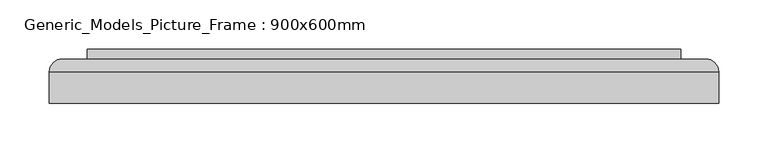
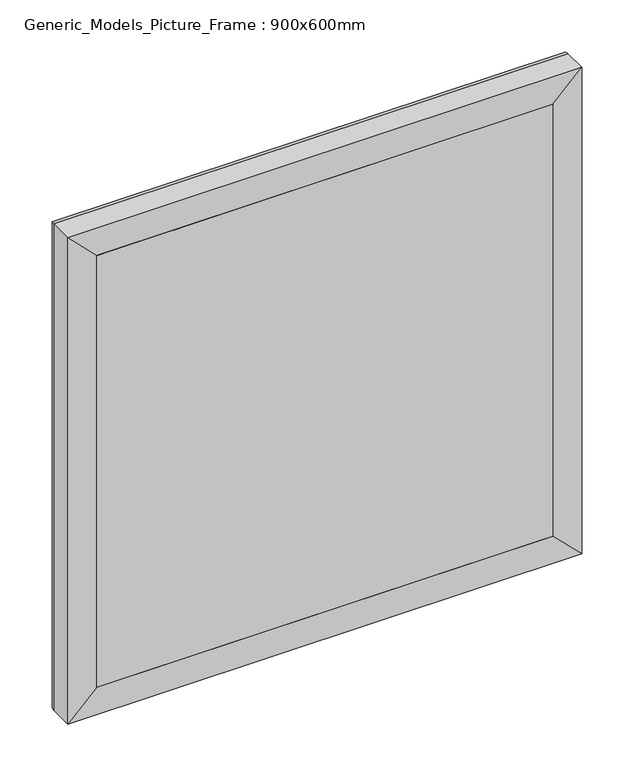
"""IFC4 building model written with IfcOpenShell, lengths in millimetres: proxy geometry, Generic_Models_Picture_Frame : 900x600mm."""

from ifc_helpers import new_model, si_unit, frame, origin, place, context, project, spatial, polyline, ellipse_curve, outline, extrude, source, transform, mapped, element, save
from ifc_brep_helpers import plane_surface, cylinder_surface, advanced_brep


def generic_models_picture_frame_900x600mm_496e0cf7(model_context):
    return source(origin(), model_context, "Body", "SolidModel", [
        extrude(outline(polyline([(-300.0, 101.6), (300.0, 101.6), (300.0, 47.5), (-300.0, 47.5), (-300.0, 101.6)])), frame((0.0, 0.0, 1200.0), z_axis=(0.0, 0.0, 1.0), x_axis=(1.0, 0.0, 0.0)), (0.0, 0.0, 1.0), 600.0),
        advanced_brep(
        [(-300.0, 47.5, 1800.0), (-338.1, 47.5, 1838.1), (-338.1, 47.5, 1161.9), (-300.0, 47.5, 1200.0), (-300.0, 72.9, 1800.0), (-300.0, 72.9, 1200.0), (-280.95, 72.9, 1780.95), (-280.95, 72.9, 1219.05), (-280.95, 79.25, 1780.95), (-280.95, 79.25, 1219.05), (-293.65, 91.95, 1793.65), (-293.65, 91.95, 1206.35), (-325.4, 91.95, 1825.4), (-325.4, 91.95, 1174.6), (-338.1, 79.25, 1838.1), (-338.1, 79.25, 1161.9), (338.1, 47.5, 1161.9), (300.0, 47.5, 1200.0), (300.0, 72.9, 1200.0), (280.95, 72.9, 1219.05), (280.95, 79.25, 1219.05), (293.65, 91.95, 1206.35), (325.4, 91.95, 1174.6), (338.1, 79.25, 1161.9), (338.1, 47.5, 1838.1), (300.0, 47.5, 1800.0), (300.0, 72.9, 1800.0), (280.95, 72.9, 1780.95), (280.95, 79.25, 1780.95), (293.65, 91.95, 1793.65), (325.4, 91.95, 1825.4), (338.1, 79.25, 1838.1)],
        [
            (0, 1),
            (1, 2),
            (2, 3),
            (3, 0),
            (4, 0),
            (3, 5),
            (5, 4),
            (6, 4),
            (5, 7),
            (7, 6),
            (8, 6),
            (7, 9),
            (9, 8),
            (10, 8, ellipse_curve(frame((-293.65, 79.25, 1793.65), z_axis=(-0.7071067811865475, 0.0, -0.7071067811865475), x_axis=(-0.7071067811865474, 0.0, 0.7071067811865476)), 17.9605122, 12.7)),
            (9, 11, ellipse_curve(frame((-293.65, 79.25, 1206.35), z_axis=(-0.7071067811865475, 0.0, 0.7071067811865475), x_axis=(0.7071067811865474, 0.0, 0.7071067811865476)), 17.9605122, 12.7)),
            (11, 10),
            (12, 10),
            (11, 13),
            (13, 12),
            (14, 12, ellipse_curve(frame((-325.4, 79.25, 1825.4), z_axis=(-0.7071067811865475, 0.0, -0.7071067811865475), x_axis=(-0.7071067811865474, 0.0, 0.7071067811865476)), 17.9605122, 12.7)),
            (13, 15, ellipse_curve(frame((-325.4, 79.25, 1174.6), z_axis=(-0.7071067811865475, 0.0, 0.7071067811865475), x_axis=(0.7071067811865474, 0.0, 0.7071067811865476)), 17.9605122, 12.7)),
            (15, 14),
            (1, 14),
            (15, 2),
            (2, 16),
            (16, 17),
            (17, 3),
            (17, 18),
            (18, 5),
            (18, 19),
            (19, 7),
            (19, 20),
            (20, 9),
            (20, 21, ellipse_curve(frame((293.65, 79.25, 1206.35), z_axis=(-0.7071067811865475, 0.0, -0.7071067811865475), x_axis=(-0.7071067811865476, 0.0, 0.7071067811865474)), 17.9605122, 12.7)),
            (21, 11),
            (21, 22),
            (22, 13),
            (22, 23, ellipse_curve(frame((325.4, 79.25, 1174.6), z_axis=(-0.7071067811865475, 0.0, -0.7071067811865475), x_axis=(-0.7071067811865476, 0.0, 0.7071067811865474)), 17.9605122, 12.7)),
            (23, 15),
            (23, 16),
            (16, 24),
            (24, 25),
            (25, 17),
            (25, 26),
            (26, 18),
            (26, 27),
            (27, 19),
            (27, 28),
            (28, 20),
            (28, 29, ellipse_curve(frame((293.65, 79.25, 1793.65), z_axis=(0.7071067811865475, 0.0, -0.7071067811865475), x_axis=(-0.7071067811865474, 0.0, -0.7071067811865476)), 17.9605122, 12.7)),
            (29, 21),
            (29, 30),
            (30, 22),
            (30, 31, ellipse_curve(frame((325.4, 79.25, 1825.4), z_axis=(0.7071067811865475, 0.0, -0.7071067811865475), x_axis=(-0.7071067811865474, 0.0, -0.7071067811865476)), 17.9605122, 12.7)),
            (31, 23),
            (31, 24),
            (24, 1),
            (0, 25),
            (4, 26),
            (6, 27),
            (8, 28),
            (10, 29),
            (12, 30),
            (14, 31),
        ],
        [
            plane_surface(frame((-338.1, 47.5, 1838.1), z_axis=(0.0, -1.0, 0.0), x_axis=(0.0, 0.0, -1.0))),
            plane_surface(frame((-300.0, 47.5, 1800.0), z_axis=(1.0, 0.0, 0.0), x_axis=(0.0, 0.0, -1.0))),
            plane_surface(frame((-300.0, 72.9, 1800.0), z_axis=(0.0, -1.0, 0.0), x_axis=(0.0, 0.0, -1.0))),
            plane_surface(frame((-280.95, 72.9, 1780.95), z_axis=(1.0, 0.0, 0.0), x_axis=(0.0, 0.0, -1.0))),
            cylinder_surface(frame((-293.65, 79.25, 1800.0), z_axis=(0.0, 0.0, 1.0), x_axis=(-1.0, 0.0, 0.0)), 12.7),
            plane_surface(frame((-293.65, 91.95, 1793.65), z_axis=(0.0, 1.0, 0.0), x_axis=(0.0, 0.0, -1.0))),
            cylinder_surface(frame((-325.4, 79.25, 1800.0), z_axis=(0.0, 0.0, 1.0), x_axis=(-1.0, 0.0, 0.0)), 12.7),
            plane_surface(frame((-338.1, 79.25, 1838.1), z_axis=(-1.0, 0.0, 0.0), x_axis=(0.0, 0.0, -1.0))),
            plane_surface(frame((-338.1, 47.5, 1161.9), z_axis=(0.0, -1.0, 0.0), x_axis=(1.0, 0.0, 0.0))),
            plane_surface(frame((-300.0, 47.5, 1200.0), z_axis=(0.0, 0.0, 1.0), x_axis=(1.0, 0.0, 0.0))),
            plane_surface(frame((-300.0, 72.9, 1200.0), z_axis=(0.0, -1.0, 0.0), x_axis=(1.0, 0.0, 0.0))),
            plane_surface(frame((-280.95, 72.9, 1219.05), z_axis=(0.0, 0.0, 1.0), x_axis=(1.0, 0.0, 0.0))),
            cylinder_surface(frame((-300.0, 79.25, 1206.35), z_axis=(-1.0, 0.0, 0.0), x_axis=(0.0, 0.0, -1.0)), 12.7),
            plane_surface(frame((-293.65, 91.95, 1206.35), z_axis=(0.0, 1.0, 0.0), x_axis=(1.0, 0.0, 0.0))),
            cylinder_surface(frame((-300.0, 79.25, 1174.6), z_axis=(-1.0, 0.0, 0.0), x_axis=(0.0, 0.0, -1.0)), 12.7),
            plane_surface(frame((-338.1, 79.25, 1161.9), z_axis=(0.0, 0.0, -1.0), x_axis=(1.0, 0.0, 0.0))),
            plane_surface(frame((338.1, 47.5, 1161.9), z_axis=(0.0, -1.0, 0.0), x_axis=(0.0, 0.0, 1.0))),
            plane_surface(frame((300.0, 47.5, 1200.0), z_axis=(-1.0, 0.0, 0.0), x_axis=(0.0, 0.0, 1.0))),
            plane_surface(frame((300.0, 72.9, 1200.0), z_axis=(0.0, -1.0, 0.0), x_axis=(0.0, 0.0, 1.0))),
            plane_surface(frame((280.95, 72.9, 1219.05), z_axis=(-1.0, 0.0, 0.0), x_axis=(0.0, 0.0, 1.0))),
            cylinder_surface(frame((293.65, 79.25, 1200.0), z_axis=(0.0, 0.0, -1.0), x_axis=(1.0, 0.0, 0.0)), 12.7),
            plane_surface(frame((293.65, 91.95, 1206.35), z_axis=(0.0, 1.0, 0.0), x_axis=(0.0, 0.0, 1.0))),
            cylinder_surface(frame((325.4, 79.25, 1200.0), z_axis=(0.0, 0.0, -1.0), x_axis=(1.0, 0.0, 0.0)), 12.7),
            plane_surface(frame((338.1, 79.25, 1161.9), z_axis=(1.0, 0.0, 0.0), x_axis=(0.0, 0.0, 1.0))),
            plane_surface(frame((338.1, 47.5, 1838.1), z_axis=(0.0, -1.0, 0.0), x_axis=(-1.0, 0.0, 0.0))),
            plane_surface(frame((300.0, 47.5, 1800.0), z_axis=(0.0, 0.0, -1.0), x_axis=(-1.0, 0.0, 0.0))),
            plane_surface(frame((300.0, 72.9, 1800.0), z_axis=(0.0, -1.0, 0.0), x_axis=(-1.0, 0.0, 0.0))),
            plane_surface(frame((280.95, 72.9, 1780.95), z_axis=(0.0, 0.0, -1.0), x_axis=(-1.0, 0.0, 0.0))),
            cylinder_surface(frame((300.0, 79.25, 1793.65), z_axis=(1.0, 0.0, 0.0), x_axis=(0.0, 0.0, 1.0)), 12.7),
            plane_surface(frame((293.65, 91.95, 1793.65), z_axis=(0.0, 1.0, 0.0), x_axis=(-1.0, 0.0, 0.0))),
            cylinder_surface(frame((300.0, 79.25, 1825.4), z_axis=(1.0, 0.0, 0.0), x_axis=(0.0, 0.0, 1.0)), 12.7),
            plane_surface(frame((338.1, 79.25, 1838.1), z_axis=(0.0, 0.0, 1.0), x_axis=(-1.0, 0.0, 0.0))),
        ],
        [
            (0, [[1, 2, 3, 4]]),
            (1, [[5, -4, 6, 7]]),
            (2, [[8, -7, 9, 10]]),
            (3, [[11, -10, 12, 13]]),
            (4, [[14, -13, 15, 16]]),
            (5, [[17, -16, 18, 19]]),
            (6, [[20, -19, 21, 22]]),
            (7, [[23, -22, 24, -2]]),
            (8, [[-3, 25, 26, 27]]),
            (9, [[-6, -27, 28, 29]]),
            (10, [[-9, -29, 30, 31]]),
            (11, [[-12, -31, 32, 33]]),
            (12, [[-15, -33, 34, 35]]),
            (13, [[-18, -35, 36, 37]]),
            (14, [[-21, -37, 38, 39]]),
            (15, [[-24, -39, 40, -25]]),
            (16, [[-26, 41, 42, 43]]),
            (17, [[-28, -43, 44, 45]]),
            (18, [[-30, -45, 46, 47]]),
            (19, [[-32, -47, 48, 49]]),
            (20, [[-34, -49, 50, 51]]),
            (21, [[-36, -51, 52, 53]]),
            (22, [[-38, -53, 54, 55]]),
            (23, [[-40, -55, 56, -41]]),
            (24, [[-42, 57, -1, 58]]),
            (25, [[-44, -58, -5, 59]]),
            (26, [[-46, -59, -8, 60]]),
            (27, [[-48, -60, -11, 61]]),
            (28, [[-50, -61, -14, 62]]),
            (29, [[-52, -62, -17, 63]]),
            (30, [[-54, -63, -20, 64]]),
            (31, [[-56, -64, -23, -57]]),
        ],
    ),
    ])


if __name__ == "__main__":
    model = new_model("IFC4")
    model_context = context("Model", 3, world=origin())
    ifc_project = project(units=[si_unit("LENGTHUNIT", "METRE", prefix="MILLI")], contexts=[model_context])
    site = spatial("IfcSite", under=ifc_project)
    building = spatial("IfcBuilding", under=site)
    placement = place(None, origin())
    generic_models_picture_frame_900x600mm_shape = generic_models_picture_frame_900x600mm_496e0cf7(model_context)
    element("IfcBuildingElementProxy", 1, Name="Generic_Models_Picture_Frame : 900x600mm", ObjectType="Generic_Models_Picture_Frame : 900x600mm", at=placement, inside=building, context=model_context, shape_type="MappedRepresentation", body=[
        mapped(generic_models_picture_frame_900x600mm_shape, transform((0.0, 0.0, 0.0), x_axis=(1.0, 0.0, 0.0), y_axis=(0.0, 1.0, 0.0), z_axis=(0.0, 0.0, 1.0))),
    ])
    save(model, "model.ifc")
